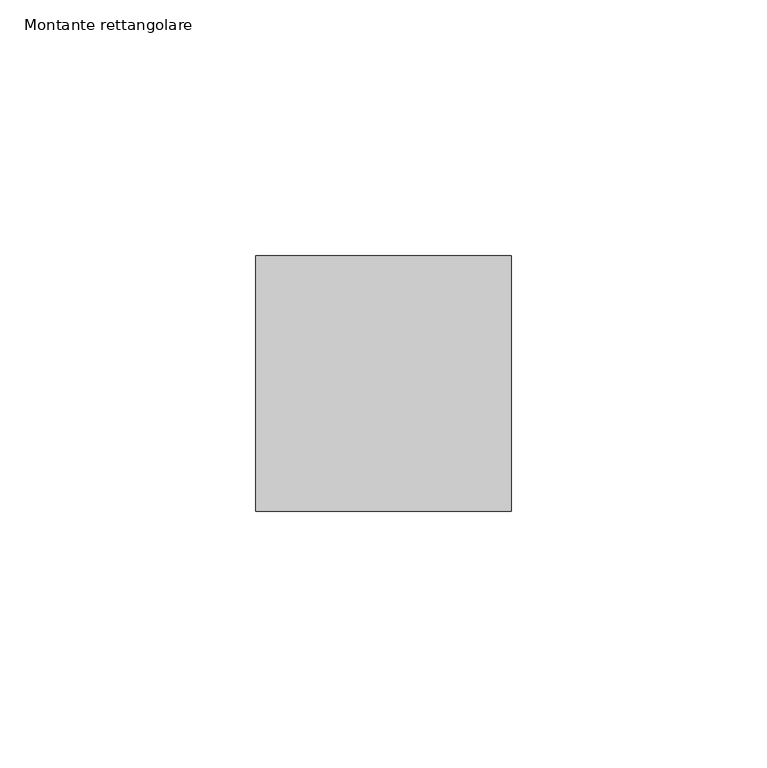
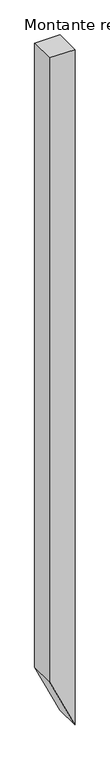
"""IFC4 building model written with IfcOpenShell, lengths in millimetres: member geometry, Montante rettangolare."""

from ifc_helpers import new_model, si_unit, frame, origin, place, context, project, spatial, polyline, outline, extrude, source, transform, mapped, element, save


def montante_rettangolare_42a89c84(model_context):
    return source(origin(), model_context, "Body", "SweptSolid", [
        extrude(outline(polyline([(0.0, 0.0), (0.0, -50.0), (-1293.3160009, -50.0), (-1400.0, 0.0), (0.0, 0.0)])), frame((0.0, -25.0, 0.0), z_axis=(0.0, 1.0, 0.0), x_axis=(0.0, 0.0, 1.0)), (0.0, 0.0, 1.0), 50.0),
    ])


if __name__ == "__main__":
    model = new_model("IFC4")
    model_context = context("Model", 3, world=origin())
    ifc_project = project(units=[si_unit("LENGTHUNIT", "METRE", prefix="MILLI")], contexts=[model_context])
    site = spatial("IfcSite", under=ifc_project)
    building = spatial("IfcBuilding", under=site)
    placement = place(None, origin())
    montante_rettangolare_shape = montante_rettangolare_42a89c84(model_context)
    element("IfcMember", 1, ObjectType="Montante rettangolare", at=placement, inside=building, context=model_context, shape_type="MappedRepresentation", body=[
        mapped(montante_rettangolare_shape, transform((0.0, 0.0, 0.0), x_axis=(1.0, 0.0, 0.0), y_axis=(0.0, 1.0, 0.0), z_axis=(0.0, 0.0, 1.0))),
    ])
    save(model, "model.ifc")
